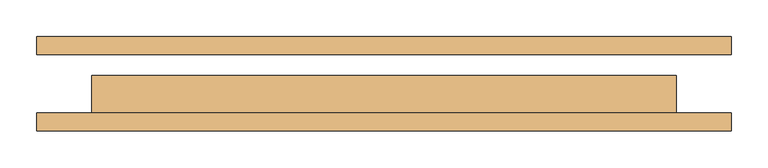
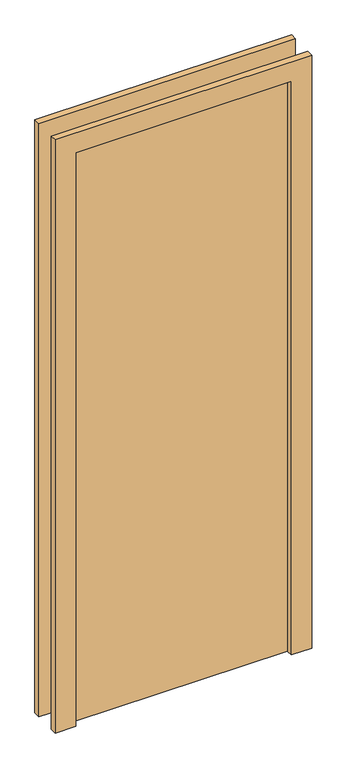
"""IFC4 building model written with IfcOpenShell, lengths in millimetres: door geometry."""

from ifc_helpers import new_model, si_unit, frame, origin, origin_with_axes, place, context, project, spatial, polyline, outline, extrude, source, transform, mapped, element, save


def door_4f6ec25e(model_context):
    return source(origin(), model_context, "Body", "SweptSolid", [
        extrude(outline(polyline([(2326.0, -476.0), (0.0, -476.0), (0.0, -400.0), (2250.0, -400.0), (2250.0, 400.0), (0.0, 400.0), (0.0, 476.0), (2326.0, 476.0), (2326.0, -476.0)])), frame((0.0, -65.0, 0.0), z_axis=(0.0, 1.0, 0.0), x_axis=(0.0, 0.0, 1.0)), (0.0, 0.0, 1.0), 25.0),
        extrude(outline(polyline([(2326.0, 476.0), (2326.0, -476.0), (0.0, -476.0), (0.0, -400.0), (2250.0, -400.0), (2250.0, 400.0), (0.0, 400.0), (0.0, 476.0), (2326.0, 476.0)])), frame((0.0, 40.0, 0.0), z_axis=(0.0, 1.0, 0.0), x_axis=(0.0, 0.0, 1.0)), (0.0, 0.0, 1.0), 25.0),
        extrude(outline(polyline([(400.0, 11.0), (400.0, -40.0), (-400.0, -40.0), (-400.0, 11.0), (400.0, 11.0)])), origin_with_axes(), (0.0, 0.0, 1.0), 2250.0),
    ])


if __name__ == "__main__":
    model = new_model("IFC4")
    model_context = context("Model", 3, world=origin())
    ifc_project = project(units=[si_unit("LENGTHUNIT", "METRE", prefix="MILLI")], contexts=[model_context])
    site = spatial("IfcSite", under=ifc_project)
    building = spatial("IfcBuilding", under=site)
    placement = place(None, origin())
    door_shape = door_4f6ec25e(model_context)
    element("IfcDoor", 1, at=placement, inside=building, context=model_context, shape_type="MappedRepresentation", body=[
        mapped(door_shape, transform((0.0, 0.0, 0.0), x_axis=(1.0, 0.0, 0.0), y_axis=(0.0, 1.0, 0.0), z_axis=(0.0, 0.0, 1.0))),
    ])
    save(model, "model.ifc")
